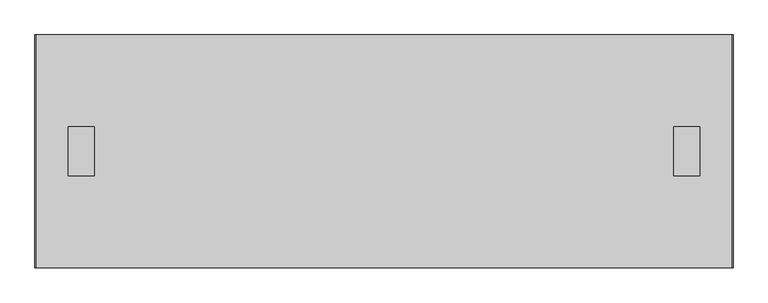
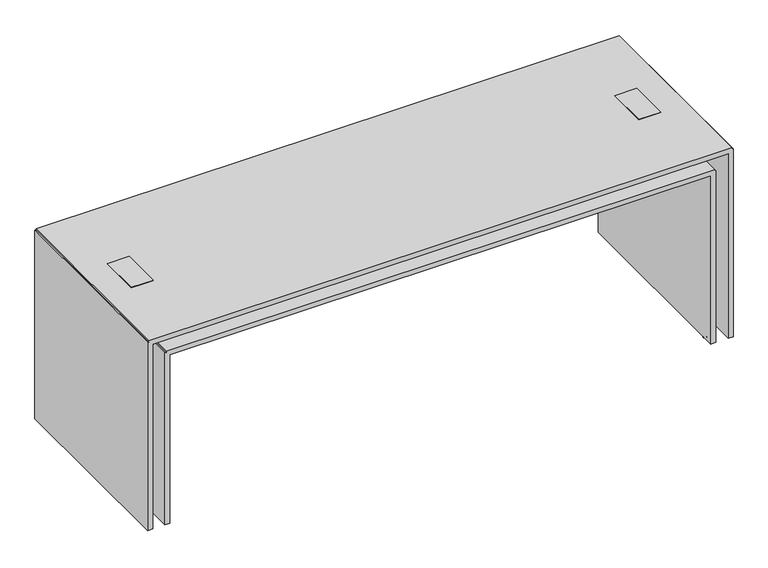
"""IFC4 building model written with IfcOpenShell, lengths in millimetres: furniture geometry."""

from ifc_helpers import new_model, si_unit, point, frame, origin, place, context, project, spatial, polyline, circle_curve, ellipse_curve, trimmed, outline, extrude, source, transform, mapped, element, save
from ifc_brep_helpers import plane_surface, cylinder_surface, revolved_surface, advanced_brep


def furniture_d49441dd(model_context):
    return source(origin(), model_context, "Body", "SolidModel", [
        advanced_brep(
        [(1414.3032221, -431.9999999, 13.2486394), (1428.3032397, -431.9999999, 13.2486394), (1421.3032309, -431.9999999, 13.2486394), (1421.3032309, -431.9999999, 0.0), (1425.9623287, -431.9999999, 0.0), (1416.6441331, -431.9999999, 0.0), (1429.2556525, -431.9999999, 1.394624), (1413.3508093, -431.9999999, 1.394624), (1429.2556525, -431.9999999, 8.1298158), (1413.3508093, -431.9999999, 8.1298158), (1425.430342, -431.9999999, 9.7497206), (1417.1761198, -431.9999999, 9.7497206), (1428.3032397, -431.9999999, 9.7497206), (1414.3032221, -431.9999999, 9.7497206)],
        [
            (0, 1, circle_curve(frame((1421.3032309, -431.9999999, 13.2486394), z_axis=(0.0, 0.0, 1.0), x_axis=(1.0, 0.0, 0.0)), 7.0000088)),
            (1, 2),
            (2, 0),
            (1, 0, circle_curve(frame((1421.3032309, -431.9999999, 13.2486394), z_axis=(0.0, 0.0, 1.0), x_axis=(1.0, 0.0, 0.0)), 7.0000088)),
            (3, 4),
            (4, 5, circle_curve(frame((1421.3032309, -431.9999999, 0.0), z_axis=(0.0, 0.0, -1.0), x_axis=(1.0, 0.0, 0.0)), 4.6590978)),
            (5, 3),
            (5, 4, circle_curve(frame((1421.3032309, -431.9999999, 0.0), z_axis=(0.0, 0.0, -1.0), x_axis=(1.0, 0.0, 0.0)), 4.6590978)),
            (4, 6),
            (6, 7, circle_curve(frame((1421.3032309, -431.9999999, 1.394624), z_axis=(0.0, 0.0, -1.0), x_axis=(1.0, 0.0, 0.0)), 7.9524216)),
            (7, 5),
            (7, 6, circle_curve(frame((1421.3032309, -431.9999999, 1.394624), z_axis=(0.0, 0.0, -1.0), x_axis=(1.0, 0.0, 0.0)), 7.9524216)),
            (6, 8, circle_curve(frame((1425.7821053, -431.9999999, 4.7622199), z_axis=(0.0, -1.0, 0.0), x_axis=(-1.0, 0.0, 0.0)), 4.8379988)),
            (8, 9, circle_curve(frame((1421.3032309, -431.9999999, 8.1298158), z_axis=(0.0, 0.0, -1.0), x_axis=(1.0, 0.0, 0.0)), 7.9524216)),
            (9, 7, circle_curve(frame((1416.8243565, -431.9999999, 4.7622199), z_axis=(0.0, -1.0, 0.0), x_axis=(1.0, 0.0, 0.0)), 4.8379988)),
            (9, 8, circle_curve(frame((1421.3032309, -431.9999999, 8.1298158), z_axis=(0.0, 0.0, -1.0), x_axis=(1.0, 0.0, 0.0)), 7.9524216)),
            (8, 10),
            (10, 11, circle_curve(frame((1421.3032309, -431.9999999, 9.7497206), z_axis=(0.0, 0.0, -1.0), x_axis=(1.0, 0.0, 0.0)), 4.1271111)),
            (11, 9),
            (11, 10, circle_curve(frame((1421.3032309, -431.9999999, 9.7497206), z_axis=(0.0, 0.0, -1.0), x_axis=(1.0, 0.0, 0.0)), 4.1271111)),
            (10, 12),
            (12, 13, circle_curve(frame((1421.3032309, -431.9999999, 9.7497206), z_axis=(0.0, 0.0, -1.0), x_axis=(1.0, 0.0, 0.0)), 7.0000088)),
            (13, 11),
            (13, 12, circle_curve(frame((1421.3032309, -431.9999999, 9.7497206), z_axis=(0.0, 0.0, -1.0), x_axis=(1.0, 0.0, 0.0)), 7.0000088)),
            (12, 1),
            (0, 13),
        ],
        [
            plane_surface(frame((1421.3032309, -431.9999999, 13.2486394), z_axis=(0.0, 0.0, 1.0), x_axis=(1.0, 0.0, 0.0))),
            plane_surface(frame((1421.3032309, -431.9999999, 0.0), z_axis=(0.0, 0.0, -1.0), x_axis=(1.0, 0.0, 0.0))),
            revolved_surface(polyline([(1429.2556525, -431.9999999, 1.394624), (1425.9623287, -431.9999999, 0.0)]), (1421.3032309, -431.9999999, 13.2486394), (0.0, 0.0, -1.0)),
            revolved_surface(trimmed(ellipse_curve(frame((1425.7821053, -431.9999999, 4.7622199), z_axis=(0.0, 1.0, 0.0), x_axis=(-1.0, 0.0, 0.0)), 4.8379988, 4.8379988), [point((1429.2556525, -431.9999999, 8.1298158))], [point((1429.2556525, -431.9999999, 1.394624))], True, "CARTESIAN"), (1421.3032309, -431.9999999, 13.2486394), (0.0, 0.0, -1.0)),
            revolved_surface(polyline([(1425.430342, -431.9999999, 9.7497206), (1429.2556525, -431.9999999, 8.1298158)]), (1421.3032309, -431.9999999, 13.2486394), (0.0, 0.0, -1.0)),
            plane_surface(frame((1421.3032309, -431.9999999, 9.7497206), z_axis=(0.0, 0.0, -1.0), x_axis=(1.0, 0.0, 0.0))),
            cylinder_surface(frame((1421.3032309, -431.9999999, 13.2486394), z_axis=(0.0, 0.0, -1.0), x_axis=(1.0, 0.0, 0.0)), 7.0000088),
        ],
        [
            (0, [[1, 2, 3]]),
            (0, [[4, -3, -2]]),
            (1, [[5, 6, 7]]),
            (1, [[-7, 8, -5]]),
            (2, [[-6, 9, 10, 11]]),
            (2, [[-8, -11, 12, -9]]),
            (3, [[-10, 13, 14, 15]]),
            (3, [[-12, -15, 16, -13]]),
            (4, [[-14, 17, 18, 19]]),
            (4, [[-16, -19, 20, -17]]),
            (5, [[-18, 21, 22, 23]]),
            (5, [[-20, -23, 24, -21]]),
            (6, [[-22, 25, -1, 26]]),
            (6, [[-24, -26, -4, -25]]),
        ],
    ),
        extrude(outline(polyline([(-1263.7968089, 107.5000032), (-1263.7968089, -107.5000032), (-1377.7968, -107.5000032), (-1377.7968, 107.5000032), (-1263.7968089, 107.5000032)])), frame((0.0, 0.0, 1055.243), z_axis=(0.0, 0.0, 1.0), x_axis=(1.0, 0.0, 0.0)), (0.0, 0.0, 1.0), 2.9261295),
        extrude(outline(polyline([(1377.8032698, 107.5000032), (1377.8032698, -107.5000032), (1263.8032515, -107.5000032), (1263.8032515, 107.5000032), (1377.8032698, 107.5000032)])), frame((0.0, 0.0, 1055.243), z_axis=(0.0, 0.0, 1.0), x_axis=(1.0, 0.0, 0.0)), (0.0, 0.0, 1.0), 2.9261295),
        extrude(outline(polyline([(1434.3031641, 203.2), (1497.8032126, 203.2), (1497.8032126, 139.6999879), (1434.3031641, 139.6999879), (1434.3031641, 203.2)])), frame((0.0, 0.0, 13.2486394), z_axis=(0.0, 0.0, 1.0), x_axis=(1.0, 0.0, 0.0)), (0.0, 0.0, 1.0), 952.2454783),
        extrude(outline(polyline([(1434.3031641, -139.6999879), (1497.8032126, -139.6999879), (1497.8032126, -203.2), (1434.3031641, -203.2), (1434.3031641, -139.6999879)])), frame((0.0, 0.0, 13.2486394), z_axis=(0.0, 0.0, 1.0), x_axis=(1.0, 0.0, 0.0)), (0.0, 0.0, 1.0), 952.2454783),
        extrude(outline(polyline([(-1497.7967995, -203.2), (-1497.7967995, -139.6999879), (-1433.2968008, -139.6999879), (-1433.2968008, -203.2), (-1497.7967995, -203.2)])), frame((0.0, 0.0, 13.2486394), z_axis=(0.0, 0.0, 1.0), x_axis=(1.0, 0.0, 0.0)), (0.0, 0.0, 1.0), 952.2454783),
        extrude(outline(polyline([(-1497.7967995, 139.6999879), (-1497.7967995, 203.2), (-1433.2968008, 203.2), (-1433.2968008, 139.6999879), (-1497.7967995, 139.6999879)])), frame((0.0, 0.0, 13.2486394), z_axis=(0.0, 0.0, 1.0), x_axis=(1.0, 0.0, 0.0)), (0.0, 0.0, 1.0), 952.2454783),
        extrude(outline(polyline([(1497.8032126, 203.2), (1497.8032126, 139.6999879), (-1497.7967995, 139.6999879), (-1497.7967995, 203.2), (1497.8032126, 203.2)])), frame((0.0, 0.0, 965.4941177), z_axis=(0.0, 0.0, 1.0), x_axis=(1.0, 0.0, 0.0)), (0.0, 0.0, 1.0), 63.7489486),
        extrude(outline(polyline([(1497.8032126, -139.6999879), (1497.8032126, -203.2), (-1497.7967995, -203.2), (-1497.7967995, -139.6999879), (1497.8032126, -139.6999879)])), frame((0.0, 0.0, 965.4941177), z_axis=(0.0, 0.0, 1.0), x_axis=(1.0, 0.0, 0.0)), (0.0, 0.0, 1.0), 63.7489486),
        extrude(outline(polyline([(939.4941059, -1408.2968006), (939.4941059, 1408.3031523), (13.2486394, 1408.3031523), (13.2486394, 1434.3031641), (959.1441419, 1434.3031641), (959.1441419, 1427.953261), (965.4941177, 1427.953261), (965.4941177, -1426.9468008), (959.1441419, -1426.9468008), (959.1441419, -1433.2968008), (13.2486394, -1433.2968008), (13.2486394, -1408.2968006), (939.4941059, -1408.2968006)])), frame((0.0, -508.0, 0.0), z_axis=(0.0, 1.0, 0.0), x_axis=(0.0, 0.0, 1.0)), (0.0, 0.0, 1.0), 1016.0),
        extrude(outline(polyline([(13.2486394, -1497.7967995), (1029.2430663, -1497.7967995), (1029.2430663, 1497.8032126), (13.2486394, 1497.8032126), (13.2486394, 1523.7968), (1048.8881689, 1523.7968), (1048.8881689, 1517.4483206), (1055.243, 1517.4483206), (1055.243, -1517.4467998), (1048.8930242, -1517.4467998), (1048.8930242, -1523.7968), (13.2486394, -1523.7968), (13.2486394, -1497.7967995)])), frame((0.0, -508.0, 0.0), z_axis=(0.0, 1.0, 0.0), x_axis=(0.0, 0.0, 1.0)), (0.0, 0.0, 1.0), 1016.0),
    ])


if __name__ == "__main__":
    model = new_model("IFC4")
    model_context = context("Model", 3, world=origin())
    ifc_project = project(units=[si_unit("LENGTHUNIT", "METRE", prefix="MILLI")], contexts=[model_context])
    site = spatial("IfcSite", under=ifc_project)
    building = spatial("IfcBuilding", under=site)
    placement = place(None, origin())
    furniture_shape = furniture_d49441dd(model_context)
    element("IfcFurniture", 1, at=placement, inside=building, context=model_context, shape_type="MappedRepresentation", body=[
        mapped(furniture_shape, transform((0.0, 0.0, 0.0), x_axis=(1.0, 0.0, 0.0), y_axis=(0.0, 1.0, 0.0), z_axis=(0.0, 0.0, 1.0))),
    ])
    save(model, "model.ifc")
